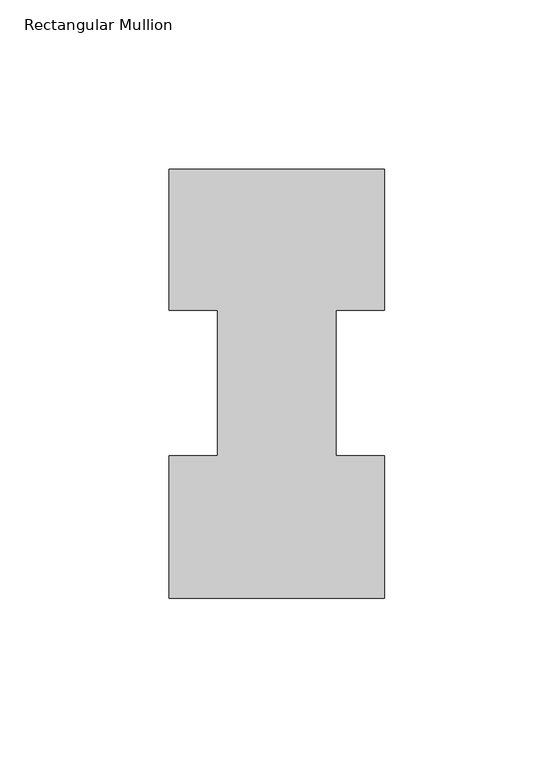
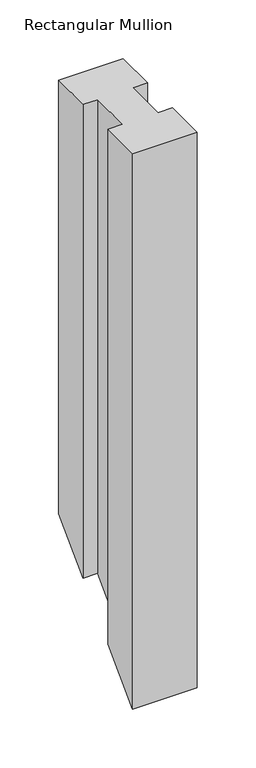
"""IFC4 building model written with IfcOpenShell, lengths in millimetres: member geometry, Rectangular Mullion."""

from ifc_helpers import new_model, si_unit, origin, place, context, project, spatial, faceted_brep, source, transform, mapped, element, save


def rectangular_mullion_78a1eacf(model_context):
    return source(origin(), model_context, "Body", "Brep", [
        faceted_brep([(-63.5, 0.04445, 0.0), (0.0, 0.04445, 0.0), (0.0, 42.08145, 0.0), (-14.2748, 42.08145, 0.0), (-14.2748, 84.93125, 0.0), (0.0, 84.93125, 0.0), (0.0, 126.53645, 0.0), (-63.5, 126.53645, 0.0), (-63.5, 84.93125, 0.0), (-49.2125, 84.93125, 0.0), (-49.2125, 42.08145, 0.0), (-63.5, 42.08145, 0.0), (-63.5, 0.04445, -577.8055494), (0.0, 0.04445, -577.8055494), (0.0, 42.08145, -535.7685494), (-14.2748, 42.08145, -535.7685494), (-14.2748, 84.93125, -492.9187494), (0.0, 84.93125, -492.9187494), (0.0, 126.53645, -451.3135494), (-63.5, 126.53645, -451.3135494), (-63.5, 84.93125, -492.9187494), (-49.2125, 84.93125, -492.9187494), (-49.2125, 42.08145, -535.7685494), (-63.5, 42.08145, -535.7685494)], [[[0, 1, 2, 3, 4, 5, 6, 7, 8, 9, 10, 11]], [[1, 0, 12, 13]], [[2, 1, 13, 14]], [[3, 2, 14, 15]], [[4, 3, 15, 16]], [[5, 4, 16, 17]], [[6, 5, 17, 18]], [[7, 6, 18, 19]], [[8, 7, 19, 20]], [[9, 8, 20, 21]], [[10, 9, 21, 22]], [[11, 10, 22, 23]], [[0, 11, 23, 12]], [[12, 23, 22, 21, 20, 19, 18, 17, 16, 15, 14, 13]]]),
    ])


if __name__ == "__main__":
    model = new_model("IFC4")
    model_context = context("Model", 3, world=origin())
    ifc_project = project(units=[si_unit("LENGTHUNIT", "METRE", prefix="MILLI")], contexts=[model_context])
    site = spatial("IfcSite", under=ifc_project)
    building = spatial("IfcBuilding", under=site)
    placement = place(None, origin())
    rectangular_mullion_shape = rectangular_mullion_78a1eacf(model_context)
    element("IfcMember", 1, ObjectType="Rectangular Mullion", at=placement, inside=building, context=model_context, shape_type="MappedRepresentation", body=[
        mapped(rectangular_mullion_shape, transform((0.0, 0.0, 0.0), x_axis=(1.0, 0.0, 0.0), y_axis=(0.0, 1.0, 0.0), z_axis=(0.0, 0.0, 1.0))),
    ])
    save(model, "model.ifc")
